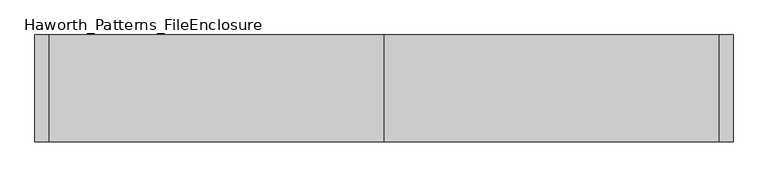
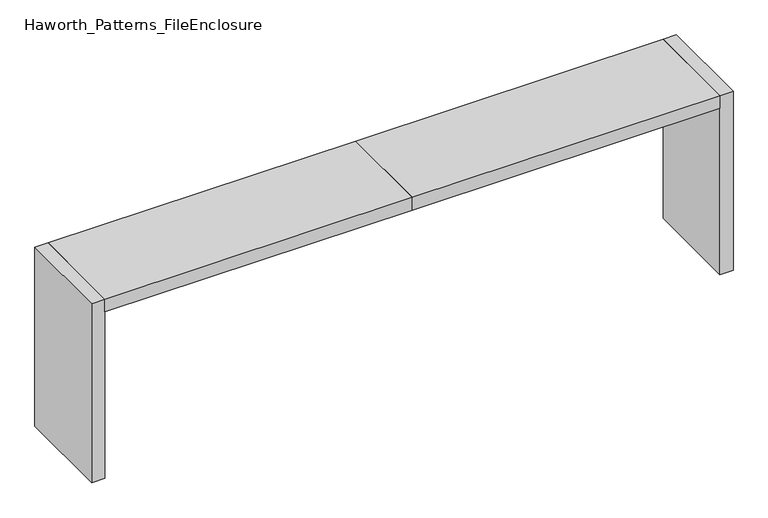
"""IFC4 building model written with IfcOpenShell, lengths in millimetres: furniture geometry, Haworth_Patterns_FileEnclosure."""

from ifc_helpers import new_model, si_unit, frame, origin, origin_with_axes, place, context, project, spatial, polyline, outline, extrude, source, transform, mapped, element, save


def haworth_patterns_fileenclosure_cc672644(model_context):
    return source(origin(), model_context, "Body", "SweptSolid", [
        extrude(outline(polyline([(0.0, 0.0), (1752.6, 0.0), (1752.6, -558.8), (0.0, -558.8), (0.0, 0.0)])), frame((0.0, 0.0, 1003.3), z_axis=(0.0, 0.0, 1.0), x_axis=(1.0, 0.0, 0.0)), (0.0, 0.0, 1.0), 76.2),
        extrude(outline(polyline([(0.0, 0.0), (0.0, -558.8), (-1752.6, -558.8), (-1752.6, 0.0), (0.0, 0.0)])), frame((0.0, 0.0, 1003.3), z_axis=(0.0, 0.0, 1.0), x_axis=(1.0, 0.0, 0.0)), (0.0, 0.0, 1.0), 76.2),
        extrude(outline(polyline([(1752.6, 0.0), (1828.8, 0.0), (1828.8, -558.8), (1752.6, -558.8), (1752.6, 0.0)])), origin_with_axes(), (0.0, 0.0, 1.0), 1079.5),
        extrude(outline(polyline([(-1752.6, 0.0), (-1752.6, -558.8), (-1828.8, -558.8), (-1828.8, 0.0), (-1752.6, 0.0)])), origin_with_axes(), (0.0, 0.0, 1.0), 1079.5),
    ])


if __name__ == "__main__":
    model = new_model("IFC4")
    model_context = context("Model", 3, world=origin())
    ifc_project = project(units=[si_unit("LENGTHUNIT", "METRE", prefix="MILLI")], contexts=[model_context])
    site = spatial("IfcSite", under=ifc_project)
    building = spatial("IfcBuilding", under=site)
    placement = place(None, origin())
    haworth_patterns_fileenclosure_shape = haworth_patterns_fileenclosure_cc672644(model_context)
    element("IfcFurniture", 1, ObjectType="Haworth_Patterns_FileEnclosure", at=placement, inside=building, context=model_context, shape_type="MappedRepresentation", body=[
        mapped(haworth_patterns_fileenclosure_shape, transform((0.0, 0.0, 0.0), x_axis=(1.0, 0.0, 0.0), y_axis=(0.0, 1.0, 0.0), z_axis=(0.0, 0.0, 1.0))),
    ])
    save(model, "model.ifc")
